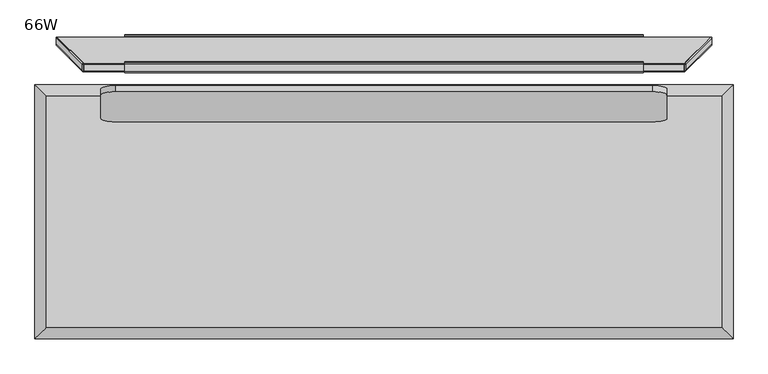
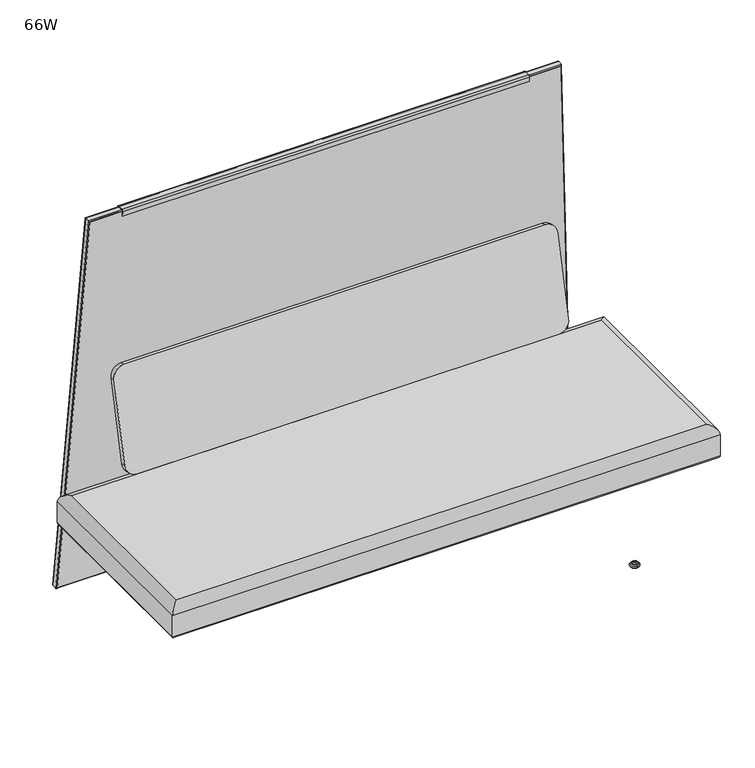
"""IFC4 building model written with IfcOpenShell, lengths in millimetres: furniture geometry, 66W."""

from ifc_helpers import new_model, si_unit, point, frame, frame_2d, origin, place, context, project, spatial, polyline, circle_curve, ellipse_curve, trimmed, segment, composite_curve, outline, extrude, source, transform, mapped, element, save
from ifc_brep_helpers import plane_surface, cylinder_surface, revolved_surface, advanced_brep


def furniture_66w_f4298dfc(model_context):
    return source(origin(), model_context, "Body", "SolidModel", [
        extrude(outline(composite_curve([segment(polyline([(0.0, 2.7618542), (-8.144073, 2.7618542), (-8.144073, 5.809597), (-0.7084719, 5.809597)]), True, "CONTINUOUS"), segment(trimmed(circle_curve(frame_2d((-0.7084719, 0.6723218)), 5.1372751), [point((-0.7084719, 5.809597))], [point((4.4288032, 0.6723231))], False, "CARTESIAN"), True, "CONTINUOUS"), segment(polyline([(4.4288032, 0.6723231), (4.428809, -22.1894719)]), True, "CONTINUOUS"), segment(trimmed(circle_curve(frame_2d((-0.2870619, -22.1894731)), 4.7158708), [point((4.428809, -22.1894719))], [point((-0.2870587, -26.9053439))], False, "CARTESIAN"), True, "CONTINUOUS"), segment(polyline([(-0.2870587, -26.9053439), (-30.2577082, -26.9053439)]), True, "CONTINUOUS"), segment(trimmed(circle_curve(frame_2d((-30.2577073, -28.255386)), 1.3500421), [point((-30.2577082, -26.9053439))], [point((-31.6077494, -28.2553863))], True, "CARTESIAN"), True, "CONTINUOUS"), segment(polyline([(-31.6077494, -28.2553863), (-31.6077448, -46.0826012), (-34.6571469, -46.0826012), (-34.6571469, -28.6619848)]), True, "CONTINUOUS"), segment(trimmed(circle_curve(frame_2d((-29.8525087, -28.6619848)), 4.8046382), [point((-34.6571469, -28.6619848))], [point((-29.8525118, -23.8573466))], False, "CARTESIAN"), True, "CONTINUOUS"), segment(polyline([(-29.8525118, -23.8573466), (0.0128476, -23.8573466)]), True, "CONTINUOUS"), segment(trimmed(circle_curve(frame_2d((0.0128467, -22.4892602)), 1.3680864), [point((0.0128476, -23.8573466))], [point((1.3809331, -22.4892599))], True, "CARTESIAN"), True, "CONTINUOUS"), segment(polyline([(1.3809331, -22.4892599), (1.380927, 1.3809275)]), True, "CONTINUOUS"), segment(trimmed(circle_curve(frame_2d((0.0, 1.3809271)), 1.3809271), [point((1.380927, 1.3809275))], [point((0.0, 2.7618542))], True, "CARTESIAN"), True, "CONTINUOUS")], self_intersect=False)), frame((1458.4751415, -51.2771859, 562.9379975), z_axis=(0.0, -0.08715574274766427, 0.996194698091745), x_axis=(0.0, -0.996194698091745, -0.08715574274766427)), (0.0, 0.0, 1.0), 51.1352235),
        extrude(outline(composite_curve([segment(trimmed(circle_curve(frame_2d((2.2023575, 23.9777383)), 4.6118092), [point((2.4039227, 19.3703361))], [point((-2.4031314, 23.7363749))], False, "CARTESIAN"), True, "CONTINUOUS"), segment(polyline([(-2.4031314, 23.7363749), (-3.1606988, 38.1916228), (-0.8769993, 38.3113064), (-0.1192392, 23.8523818)]), True, "CONTINUOUS"), segment(trimmed(circle_curve(frame_2d((2.1627609, 23.9719763)), 2.285132), [point((-0.1192392, 23.8523818))], [point((2.2823555, 21.689976))], True, "CARTESIAN"), True, "CONTINUOUS"), segment(polyline([(2.2823555, 21.689976), (18.7703484, 22.5540751)]), True, "CONTINUOUS"), segment(trimmed(circle_curve(frame_2d((18.6507538, 24.8360754)), 2.285132), [point((18.7703484, 22.5540751))], [point((20.9327541, 24.95567))], True, "CARTESIAN"), True, "CONTINUOUS"), segment(polyline([(20.9327541, 24.95567), (20.1749938, 39.4145946), (22.4585421, 39.5342703), (23.2162566, 25.0762164)]), True, "CONTINUOUS"), segment(trimmed(circle_curve(frame_2d((18.6526375, 24.800132)), 4.5719626), [point((23.2162566, 25.0762164))], [point((18.8919156, 20.2344351))], False, "CARTESIAN"), True, "CONTINUOUS"), segment(polyline([(18.8919156, 20.2344351), (2.4039227, 19.3703361)]), True, "CONTINUOUS")], self_intersect=False)), frame((215.9, 0.0, 0.0), z_axis=(1.0, 0.0, 0.0), x_axis=(0.0, 1.0, 0.0)), (0.0, 0.0, 1.0), 1244.6),
        extrude(outline(composite_curve([segment(polyline([(1.3809271, 1.3809271), (1.3809271, 9.5250001), (4.4286699, 9.5250001), (4.4286699, 2.089399)]), True, "CONTINUOUS"), segment(trimmed(circle_curve(frame_2d((-0.7086053, 2.089399)), 5.1372751), [point((4.4286699, 2.089399))], [point((-0.708604, -3.0478761))], False, "CARTESIAN"), True, "CONTINUOUS"), segment(polyline([(-0.708604, -3.0478761), (-23.5704067, -3.0478818)]), True, "CONTINUOUS"), segment(trimmed(circle_curve(frame_2d((-23.5704079, 1.6679889)), 4.7158708), [point((-23.5704067, -3.0478818))], [point((-28.2862788, 1.6679859))], False, "CARTESIAN"), True, "CONTINUOUS"), segment(polyline([(-28.2862788, 1.6679859), (-28.2862906, 19.7323854)]), True, "CONTINUOUS"), segment(trimmed(circle_curve(frame_2d((-29.6363327, 19.7323844)), 1.3500421), [point((-28.2862906, 19.7323854))], [point((-29.636333, 21.0824265))], True, "CARTESIAN"), True, "CONTINUOUS"), segment(polyline([(-29.636333, 21.0824265), (-47.4635479, 21.082422), (-47.4635479, 24.1318241), (-30.0429315, 24.1318241)]), True, "CONTINUOUS"), segment(trimmed(circle_curve(frame_2d((-30.0429315, 19.3271858)), 4.8046383), [point((-30.0429315, 24.1318241))], [point((-25.2382932, 19.3271889))], False, "CARTESIAN"), True, "CONTINUOUS"), segment(polyline([(-25.2382932, 19.3271889), (-25.2382815, 1.3680795)]), True, "CONTINUOUS"), segment(trimmed(circle_curve(frame_2d((-23.8701951, 1.3680804)), 1.3680864), [point((-25.2382815, 1.3680795))], [point((-23.8701947, -6e-06))], True, "CARTESIAN"), True, "CONTINUOUS"), segment(polyline([(-23.8701947, -6e-06), (4e-07, 0.0)]), True, "CONTINUOUS"), segment(trimmed(circle_curve(frame_2d((0.0, 1.3809271)), 1.3809271), [point((4e-07, 0.0))], [point((1.3809271, 1.3809271))], True, "CARTESIAN"), True, "CONTINUOUS")], self_intersect=False)), frame((1459.8560686, -33.729595, 144.3086142), z_axis=(0.0, -0.05233595624294945, 0.9986295347545736), x_axis=(1.0, 0.0, 0.0)), (0.0, 0.0, 1.0), 50.5530756),
        extrude(outline(composite_curve([segment(trimmed(circle_curve(frame_2d((8.144073, 1.3809271)), 1.3809271), [point((8.144073, 0.0))], [point((9.525, 1.3809267))], True, "CARTESIAN"), True, "CONTINUOUS"), segment(polyline([(9.525, 1.3809267), (9.525006, 25.2511141)]), True, "CONTINUOUS"), segment(trimmed(circle_curve(frame_2d((8.1569196, 25.2511144)), 1.3680864), [point((9.525006, 25.2511141))], [point((8.1569205, 26.6192008))], True, "CARTESIAN"), True, "CONTINUOUS"), segment(polyline([(8.1569205, 26.6192008), (-21.7084389, 26.6192008)]), True, "CONTINUOUS"), segment(trimmed(circle_curve(frame_2d((-21.7084358, 31.423839)), 4.8046382), [point((-21.7084389, 26.6192008))], [point((-26.513074, 31.423839))], False, "CARTESIAN"), True, "CONTINUOUS"), segment(polyline([(-26.513074, 31.423839), (-26.513074, 48.8444554), (-23.4636719, 48.8444554), (-23.4636765, 31.0172405)]), True, "CONTINUOUS"), segment(trimmed(circle_curve(frame_2d((-22.1136344, 31.0172402)), 1.3500421), [point((-23.4636765, 31.0172405))], [point((-22.1136353, 29.6671981))], True, "CARTESIAN"), True, "CONTINUOUS"), segment(polyline([(-22.1136353, 29.6671981), (7.8570142, 29.6671981)]), True, "CONTINUOUS"), segment(trimmed(circle_curve(frame_2d((7.8570111, 24.9513273)), 4.7158708), [point((7.8570142, 29.6671981))], [point((12.5728819, 24.9513261))], False, "CARTESIAN"), True, "CONTINUOUS"), segment(polyline([(12.5728819, 24.9513261), (12.5728762, 2.0895311)]), True, "CONTINUOUS"), segment(trimmed(circle_curve(frame_2d((7.4356011, 2.0895324)), 5.1372751), [point((12.5728762, 2.0895311))], [point((7.4356011, -3.0477428))], False, "CARTESIAN"), True, "CONTINUOUS"), segment(polyline([(7.4356011, -3.0477428), (0.0, -3.0477428), (0.0, 0.0), (8.144073, 0.0)]), True, "CONTINUOUS")], self_intersect=False)), frame((215.1630043, -43.1641036, 563.6478002), z_axis=(0.0, -0.08715574274766426, 0.996194698091745), x_axis=(0.0, -0.996194698091745, -0.08715574274766426)), (0.0, 0.0, 1.0), 51.1352235),
        extrude(outline(composite_curve([segment(trimmed(circle_curve(frame_2d((8.1440729, 1.3809271)), 1.3809271), [point((8.1440729, 0.0))], [point((9.525, 1.3809267))], True, "CARTESIAN"), True, "CONTINUOUS"), segment(polyline([(9.525, 1.3809267), (9.525006, 25.2511218)]), True, "CONTINUOUS"), segment(trimmed(circle_curve(frame_2d((8.1569196, 25.2511222)), 1.3680864), [point((9.525006, 25.2511218))], [point((8.1569196, 26.6192086))], True, "CARTESIAN"), True, "CONTINUOUS"), segment(polyline([(8.1569196, 26.6192086), (-9.8021859, 26.6192086)]), True, "CONTINUOUS"), segment(trimmed(circle_curve(frame_2d((-9.8021859, 31.4238468)), 4.8046382), [point((-9.8021859, 26.6192086))], [point((-14.606824, 31.4238468))], False, "CARTESIAN"), True, "CONTINUOUS"), segment(polyline([(-14.606824, 31.4238468), (-14.606824, 48.8444632), (-11.5574219, 48.8444632), (-11.5574266, 31.0172483)]), True, "CONTINUOUS"), segment(trimmed(circle_curve(frame_2d((-10.2073845, 31.017248)), 1.3500421), [point((-11.5574266, 31.0172483))], [point((-10.2073845, 29.6672059))], True, "CARTESIAN"), True, "CONTINUOUS"), segment(polyline([(-10.2073845, 29.6672059), (7.8570111, 29.6672059)]), True, "CONTINUOUS"), segment(trimmed(circle_curve(frame_2d((7.8570111, 24.951335)), 4.7158708), [point((7.8570111, 29.6672059))], [point((12.5728819, 24.9513338))], False, "CARTESIAN"), True, "CONTINUOUS"), segment(polyline([(12.5728819, 24.9513338), (12.5728761, 2.0895311)]), True, "CONTINUOUS"), segment(trimmed(circle_curve(frame_2d((7.435601, 2.0895324)), 5.1372751), [point((12.5728761, 2.0895311))], [point((7.435601, -3.0477428))], False, "CARTESIAN"), True, "CONTINUOUS"), segment(polyline([(7.435601, -3.0477428), (0.0, -3.0477428), (0.0, 0.0), (8.1440729, 0.0)]), True, "CONTINUOUS")], self_intersect=False)), frame((215.1630043, -24.2408127, 144.8059002), z_axis=(0.0, -0.05233595624294945, 0.9986295347545736), x_axis=(0.0, -0.9986295347545736, -0.05233595624294945)), (0.0, 0.0, 1.0), 50.4083184),
        extrude(outline(composite_curve([segment(polyline([(18.5911719, 20.5975436), (18.5911719, 36.4727737), (22.0080176, 36.4727737), (22.0080176, 22.1226629)]), True, "CONTINUOUS"), segment(trimmed(circle_curve(frame_2d((17.0817223, 22.1226629)), 4.9262954), [point((22.0080176, 22.1226629))], [point((17.0817223, 17.1963676))], False, "CARTESIAN"), True, "CONTINUOUS"), segment(polyline([(17.0817223, 17.1963676), (-20.9377121, 17.1963676)]), True, "CONTINUOUS"), segment(trimmed(circle_curve(frame_2d((-20.9377121, 22.4139285)), 5.217561), [point((-20.9377121, 17.1963676))], [point((-25.9416036, 23.891769))], False, "CARTESIAN"), True, "CONTINUOUS"), segment(polyline([(-25.9416036, 23.891769), (-8.0168765, 84.5839696), (-8.0168765, 96.8063842), (-4.5957637, 96.8063842), (-4.5957637, 83.9990238), (-22.7108138, 22.6623993)]), True, "CONTINUOUS"), segment(trimmed(circle_curve(frame_2d((-21.1676183, 22.2066346)), 1.609091), [point((-22.7108138, 22.6623993))], [point((-21.1676183, 20.5975436))], True, "CARTESIAN"), True, "CONTINUOUS"), segment(polyline([(-21.1676183, 20.5975436), (18.5911719, 20.5975436)]), True, "CONTINUOUS")], self_intersect=False)), frame((1352.348534, 0.0, 0.0), z_axis=(1.0, 0.0, 0.0), x_axis=(0.0, 1.0, 0.0)), (0.0, 0.0, 1.0), 38.8216493),
        extrude(outline(composite_curve([segment(polyline([(1362.572213, -4.5957637), (1380.9852769, -4.5957637)]), True, "CONTINUOUS"), segment(trimmed(circle_curve(frame_2d((1368.9867748, -13.6862365)), 15.0532637), [point((1380.9852769, -4.5957637))], [point((1382.069539, -21.1321769))], False, "CARTESIAN"), True, "CONTINUOUS"), segment(polyline([(1382.069539, -21.1321769), (1361.4879508, -21.1321769)]), True, "CONTINUOUS"), segment(trimmed(circle_curve(frame_2d((1374.570715, -13.6862365)), 15.0532637), [point((1361.4879508, -21.1321769))], [point((1362.572213, -4.5957637))], False, "CARTESIAN"), True, "CONTINUOUS")], self_intersect=False)), frame((0.0, 0.0, 13.858606), z_axis=(0.0, 0.0, 1.0), x_axis=(1.0, 0.0, 0.0)), (0.0, 0.0, 1.0), 3.3377616),
        advanced_brep(
        [(1371.769534, -16.1234282, 14.8752118), (1371.769534, -9.500017, 14.8752118), (1371.769534, -8.9130793, 13.858606), (1371.769534, -16.7103659, 13.858606), (1371.769534, -4.8811056, 11.2402116), (1371.769534, -20.7423395, 11.2402116), (1371.769534, -4.8811056, 8.74896), (1371.769534, -20.7423395, 8.74896), (1371.769534, -6.4627748, 8.74896), (1371.769534, -19.1606704, 8.74896), (1371.769534, -1.6031557, 5.9432577), (1371.769534, -24.0202895, 5.9432577), (1371.769534, 1.5875, 3.5556814), (1371.769534, -27.2109452, 3.5556814), (1371.769534, -0.4653912, 0.0), (1371.769534, -25.1580539, 0.0), (1371.769534, -12.8117226, 0.0), (1371.769534, -12.8117226, 17.1963676), (1371.769534, -8.8603739, 17.1963676), (1371.769534, -16.7630713, 17.1963676), (1371.769534, -8.8603739, 15.514855), (1371.769534, -16.7630713, 15.514855)],
        [
            (0, 1, circle_curve(frame((1371.769534, -12.8117226, 14.8752118), z_axis=(0.0, 0.0, -1.0), x_axis=(0.0, 1.0, 0.0)), 3.3117056)),
            (1, 2),
            (2, 3, circle_curve(frame((1371.769534, -12.8117226, 13.858606), z_axis=(0.0, 0.0, 1.0), x_axis=(0.0, 1.0, 0.0)), 3.8986433)),
            (3, 0),
            (1, 0, circle_curve(frame((1371.769534, -12.8117226, 14.8752118), z_axis=(0.0, 0.0, -1.0), x_axis=(0.0, 1.0, 0.0)), 3.3117056)),
            (3, 2, circle_curve(frame((1371.769534, -12.8117226, 13.858606), z_axis=(0.0, 0.0, 1.0), x_axis=(0.0, 1.0, 0.0)), 3.8986433)),
            (2, 4),
            (4, 5, circle_curve(frame((1371.769534, -12.8117226, 11.2402116), z_axis=(0.0, 0.0, 1.0), x_axis=(0.0, 1.0, 0.0)), 7.930617)),
            (5, 3),
            (5, 4, circle_curve(frame((1371.769534, -12.8117226, 11.2402116), z_axis=(0.0, 0.0, 1.0), x_axis=(0.0, 1.0, 0.0)), 7.930617)),
            (4, 6),
            (6, 7, circle_curve(frame((1371.769534, -12.8117226, 8.74896), z_axis=(0.0, 0.0, 1.0), x_axis=(0.0, 1.0, 0.0)), 7.930617)),
            (7, 5),
            (7, 6, circle_curve(frame((1371.769534, -12.8117226, 8.74896), z_axis=(0.0, 0.0, 1.0), x_axis=(0.0, 1.0, 0.0)), 7.930617)),
            (6, 8),
            (8, 9, circle_curve(frame((1371.769534, -12.8117226, 8.74896), z_axis=(0.0, 0.0, 1.0), x_axis=(0.0, 1.0, 0.0)), 6.3489478)),
            (9, 7),
            (9, 8, circle_curve(frame((1371.769534, -12.8117226, 8.74896), z_axis=(0.0, 0.0, 1.0), x_axis=(0.0, 1.0, 0.0)), 6.3489478)),
            (8, 10, circle_curve(frame((1371.769534, -1.9505298, 10.9529929), z_axis=(1.0, 0.0, 0.0), x_axis=(0.0, -1.0, 0.0)), 5.0217642)),
            (10, 11, circle_curve(frame((1371.769534, -12.8117226, 5.9432577), z_axis=(0.0, 0.0, 1.0), x_axis=(0.0, 1.0, 0.0)), 11.2085669)),
            (11, 9, circle_curve(frame((1371.769534, -23.6729154, 10.9529929), z_axis=(1.0, 0.0, 0.0), x_axis=(0.0, 1.0, 0.0)), 5.0217642)),
            (11, 10, circle_curve(frame((1371.769534, -12.8117226, 5.9432577), z_axis=(0.0, 0.0, 1.0), x_axis=(0.0, 1.0, 0.0)), 11.2085669)),
            (10, 12, circle_curve(frame((1371.769534, -1.3921075, 2.8995769), z_axis=(-1.0, 0.0, 0.0), x_axis=(0.0, -1.0, 0.0)), 3.050989)),
            (12, 13, circle_curve(frame((1371.769534, -12.8117226, 3.5556814), z_axis=(0.0, 0.0, 1.0), x_axis=(0.0, 1.0, 0.0)), 14.3992226)),
            (13, 11, circle_curve(frame((1371.769534, -24.2313377, 2.8995769), z_axis=(-1.0, 0.0, 0.0), x_axis=(0.0, 1.0, 0.0)), 3.050989)),
            (13, 12, circle_curve(frame((1371.769534, -12.8117226, 3.5556814), z_axis=(0.0, 0.0, 1.0), x_axis=(0.0, 1.0, 0.0)), 14.3992226)),
            (12, 14),
            (14, 15, circle_curve(frame((1371.769534, -12.8117226, 0.0), z_axis=(0.0, 0.0, 1.0), x_axis=(0.0, 1.0, 0.0)), 12.3463313)),
            (15, 13),
            (15, 14, circle_curve(frame((1371.769534, -12.8117226, 0.0), z_axis=(0.0, 0.0, 1.0), x_axis=(0.0, 1.0, 0.0)), 12.3463313)),
            (14, 16),
            (16, 15),
            (17, 18),
            (18, 19, circle_curve(frame((1371.769534, -12.8117226, 17.1963676), z_axis=(0.0, 0.0, 1.0), x_axis=(0.0, 1.0, 0.0)), 3.9513487)),
            (19, 17),
            (19, 18, circle_curve(frame((1371.769534, -12.8117226, 17.1963676), z_axis=(0.0, 0.0, 1.0), x_axis=(0.0, 1.0, 0.0)), 3.9513487)),
            (18, 20),
            (20, 21, circle_curve(frame((1371.769534, -12.8117226, 15.514855), z_axis=(0.0, 0.0, 1.0), x_axis=(0.0, 1.0, 0.0)), 3.9513487)),
            (21, 19),
            (21, 20, circle_curve(frame((1371.769534, -12.8117226, 15.514855), z_axis=(0.0, 0.0, 1.0), x_axis=(0.0, 1.0, 0.0)), 3.9513487)),
            (20, 1),
            (0, 21),
        ],
        [
            revolved_surface(polyline([(1371.769534, -8.9130793, 13.858606), (1371.769534, -9.500017, 14.8752118)]), (1371.769534, -12.8117226, 0.0), (0.0, 0.0, 1.0)),
            revolved_surface(polyline([(1371.769534, -4.8811056, 11.2402116), (1371.769534, -8.9130793, 13.858606)]), (1371.769534, -12.8117226, 0.0), (0.0, 0.0, 1.0)),
            cylinder_surface(frame((1371.769534, -12.8117226, 0.0), z_axis=(0.0, 0.0, 1.0), x_axis=(0.0, 1.0, 0.0)), 7.930617),
            plane_surface(frame((1371.769534, -12.8117226, 8.74896), z_axis=(0.0, 0.0, -1.0), x_axis=(0.0, 1.0, 0.0))),
            revolved_surface(trimmed(ellipse_curve(frame((1371.769534, -1.9505298, 10.9529929), z_axis=(-1.0, 0.0, 0.0), x_axis=(0.0, -1.0, 0.0)), 5.0217642, 5.0217642), [point((1371.769534, -1.6031557, 5.9432577))], [point((1371.769534, -6.4627748, 8.74896))], True, "CARTESIAN"), (1371.769534, -12.8117226, 0.0), (0.0, 0.0, 1.0)),
            revolved_surface(trimmed(ellipse_curve(frame((1371.769534, -1.3921075, 2.8995769), z_axis=(1.0, 0.0, 0.0), x_axis=(0.0, -1.0, 0.0)), 3.050989, 3.050989), [point((1371.769534, 1.5875, 3.5556814))], [point((1371.769534, -1.6031557, 5.9432577))], True, "CARTESIAN"), (1371.769534, -12.8117226, 0.0), (0.0, 0.0, 1.0)),
            revolved_surface(polyline([(1371.769534, -0.4653912, 0.0), (1371.769534, 1.5875, 3.5556814)]), (1371.769534, -12.8117226, 0.0), (0.0, 0.0, 1.0)),
            plane_surface(frame((1371.769534, -12.8117226, 0.0), z_axis=(0.0, 0.0, -1.0), x_axis=(0.0, 1.0, 0.0))),
            plane_surface(frame((1371.769534, -12.8117226, 17.1963676), z_axis=(0.0, 0.0, 1.0), x_axis=(0.0, 1.0, 0.0))),
            cylinder_surface(frame((1371.769534, -12.8117226, 0.0), z_axis=(0.0, 0.0, 1.0), x_axis=(0.0, 1.0, 0.0)), 3.9513487),
            revolved_surface(polyline([(1371.769534, -9.500017, 14.8752118), (1371.769534, -8.8603739, 15.514855)]), (1371.769534, -12.8117226, 0.0), (0.0, 0.0, 1.0)),
        ],
        [
            (0, [[1, 2, 3, 4]]),
            (0, [[5, -4, 6, -2]]),
            (1, [[-3, 7, 8, 9]]),
            (1, [[-6, -9, 10, -7]]),
            (2, [[-8, 11, 12, 13]]),
            (2, [[-10, -13, 14, -11]]),
            (3, [[-12, 15, 16, 17]]),
            (3, [[-14, -17, 18, -15]]),
            (4, [[-16, 19, 20, 21]]),
            (4, [[-18, -21, 22, -19]]),
            (5, [[-20, 23, 24, 25]]),
            (5, [[-22, -25, 26, -23]]),
            (6, [[-24, 27, 28, 29]]),
            (6, [[-26, -29, 30, -27]]),
            (7, [[-28, 31, 32]]),
            (7, [[-30, -32, -31]]),
            (8, [[33, 34, 35]]),
            (8, [[-35, 36, -33]]),
            (9, [[-34, 37, 38, 39]]),
            (9, [[-36, -39, 40, -37]]),
            (10, [[-38, 41, -1, 42]]),
            (10, [[-40, -42, -5, -41]]),
        ],
    ),
        extrude(outline(composite_curve([segment(trimmed(circle_curve(frame_2d((301.829285, -13.6862365)), 15.0532637), [point((313.827787, -4.5957637))], [point((314.9120492, -21.1321769))], False, "CARTESIAN"), True, "CONTINUOUS"), segment(polyline([(314.9120492, -21.1321769), (294.330461, -21.1321769)]), True, "CONTINUOUS"), segment(trimmed(circle_curve(frame_2d((307.4132252, -13.6862365)), 15.0532637), [point((294.330461, -21.1321769))], [point((295.4147231, -4.5957637))], False, "CARTESIAN"), True, "CONTINUOUS"), segment(polyline([(295.4147231, -4.5957637), (313.827787, -4.5957637)]), True, "CONTINUOUS")], self_intersect=False)), frame((0.0, 0.0, 13.858606), z_axis=(0.0, 0.0, 1.0), x_axis=(1.0, 0.0, 0.0)), (0.0, 0.0, 1.0), 3.3377616),
        advanced_brep(
        [(304.630466, -16.7103659, 13.858606), (304.630466, -8.9130793, 13.858606), (304.630466, -9.500017, 14.8752118), (304.630466, -16.1234282, 14.8752118), (304.630466, -20.7423395, 11.2402116), (304.630466, -4.8811056, 11.2402116), (304.630466, -20.7423395, 8.74896), (304.630466, -4.8811056, 8.74896), (304.630466, -19.1606704, 8.74896), (304.630466, -6.4627748, 8.74896), (304.630466, -24.0202895, 5.9432577), (304.630466, -1.6031557, 5.9432577), (304.630466, -27.2109452, 3.5556814), (304.630466, 1.5875, 3.5556814), (304.630466, -25.1580539, 0.0), (304.630466, -0.4653912, 0.0), (304.630466, -12.8117226, 0.0), (304.630466, -16.7630713, 17.1963676), (304.630466, -8.8603739, 17.1963676), (304.630466, -12.8117226, 17.1963676), (304.630466, -16.7630713, 15.514855), (304.630466, -8.8603739, 15.514855)],
        [
            (0, 1, circle_curve(frame((304.630466, -12.8117226, 13.858606), z_axis=(0.0, 0.0, 1.0), x_axis=(0.0, 1.0, 0.0)), 3.8986433)),
            (1, 2),
            (2, 3, circle_curve(frame((304.630466, -12.8117226, 14.8752118), z_axis=(0.0, 0.0, -1.0), x_axis=(0.0, 1.0, 0.0)), 3.3117056)),
            (3, 0),
            (1, 0, circle_curve(frame((304.630466, -12.8117226, 13.858606), z_axis=(0.0, 0.0, 1.0), x_axis=(0.0, 1.0, 0.0)), 3.8986433)),
            (3, 2, circle_curve(frame((304.630466, -12.8117226, 14.8752118), z_axis=(0.0, 0.0, -1.0), x_axis=(0.0, 1.0, 0.0)), 3.3117056)),
            (4, 5, circle_curve(frame((304.630466, -12.8117226, 11.2402116), z_axis=(0.0, 0.0, 1.0), x_axis=(0.0, 1.0, 0.0)), 7.930617)),
            (5, 1),
            (0, 4),
            (5, 4, circle_curve(frame((304.630466, -12.8117226, 11.2402116), z_axis=(0.0, 0.0, 1.0), x_axis=(0.0, 1.0, 0.0)), 7.930617)),
            (6, 7, circle_curve(frame((304.630466, -12.8117226, 8.74896), z_axis=(0.0, 0.0, 1.0), x_axis=(0.0, 1.0, 0.0)), 7.930617)),
            (7, 5),
            (4, 6),
            (7, 6, circle_curve(frame((304.630466, -12.8117226, 8.74896), z_axis=(0.0, 0.0, 1.0), x_axis=(0.0, 1.0, 0.0)), 7.930617)),
            (8, 9, circle_curve(frame((304.630466, -12.8117226, 8.74896), z_axis=(0.0, 0.0, 1.0), x_axis=(0.0, 1.0, 0.0)), 6.3489478)),
            (9, 7),
            (6, 8),
            (9, 8, circle_curve(frame((304.630466, -12.8117226, 8.74896), z_axis=(0.0, 0.0, 1.0), x_axis=(0.0, 1.0, 0.0)), 6.3489478)),
            (10, 11, circle_curve(frame((304.630466, -12.8117226, 5.9432577), z_axis=(0.0, 0.0, 1.0), x_axis=(0.0, 1.0, 0.0)), 11.2085669)),
            (11, 9, circle_curve(frame((304.630466, -1.9505298, 10.9529929), z_axis=(-1.0, 0.0, 0.0), x_axis=(0.0, -1.0, 0.0)), 5.0217642)),
            (8, 10, circle_curve(frame((304.630466, -23.6729154, 10.9529929), z_axis=(-1.0, 0.0, 0.0), x_axis=(0.0, 1.0, 0.0)), 5.0217642)),
            (11, 10, circle_curve(frame((304.630466, -12.8117226, 5.9432577), z_axis=(0.0, 0.0, 1.0), x_axis=(0.0, 1.0, 0.0)), 11.2085669)),
            (12, 13, circle_curve(frame((304.630466, -12.8117226, 3.5556814), z_axis=(0.0, 0.0, 1.0), x_axis=(0.0, 1.0, 0.0)), 14.3992226)),
            (13, 11, circle_curve(frame((304.630466, -1.3921075, 2.8995769), z_axis=(1.0, 0.0, 0.0), x_axis=(0.0, -1.0, 0.0)), 3.050989)),
            (10, 12, circle_curve(frame((304.630466, -24.2313377, 2.8995769), z_axis=(1.0, 0.0, 0.0), x_axis=(0.0, 1.0, 0.0)), 3.050989)),
            (13, 12, circle_curve(frame((304.630466, -12.8117226, 3.5556814), z_axis=(0.0, 0.0, 1.0), x_axis=(0.0, 1.0, 0.0)), 14.3992226)),
            (14, 15, circle_curve(frame((304.630466, -12.8117226, 0.0), z_axis=(0.0, 0.0, 1.0), x_axis=(0.0, 1.0, 0.0)), 12.3463313)),
            (15, 13),
            (12, 14),
            (15, 14, circle_curve(frame((304.630466, -12.8117226, 0.0), z_axis=(0.0, 0.0, 1.0), x_axis=(0.0, 1.0, 0.0)), 12.3463313)),
            (16, 15),
            (14, 16),
            (17, 18, circle_curve(frame((304.630466, -12.8117226, 17.1963676), z_axis=(0.0, 0.0, 1.0), x_axis=(0.0, 1.0, 0.0)), 3.9513487)),
            (18, 19),
            (19, 17),
            (18, 17, circle_curve(frame((304.630466, -12.8117226, 17.1963676), z_axis=(0.0, 0.0, 1.0), x_axis=(0.0, 1.0, 0.0)), 3.9513487)),
            (20, 21, circle_curve(frame((304.630466, -12.8117226, 15.514855), z_axis=(0.0, 0.0, 1.0), x_axis=(0.0, 1.0, 0.0)), 3.9513487)),
            (21, 18),
            (17, 20),
            (21, 20, circle_curve(frame((304.630466, -12.8117226, 15.514855), z_axis=(0.0, 0.0, 1.0), x_axis=(0.0, 1.0, 0.0)), 3.9513487)),
            (2, 21),
            (20, 3),
        ],
        [
            revolved_surface(polyline([(304.630466, -9.500017, 14.8752118), (304.630466, -8.9130793, 13.858606)]), (304.630466, -12.8117226, 0.0), (0.0, 0.0, -1.0)),
            revolved_surface(polyline([(304.630466, -8.9130793, 13.858606), (304.630466, -4.8811056, 11.2402116)]), (304.630466, -12.8117226, 0.0), (0.0, 0.0, -1.0)),
            cylinder_surface(frame((304.630466, -12.8117226, 0.0), z_axis=(0.0, 0.0, -1.0), x_axis=(0.0, 1.0, 0.0)), 7.930617),
            plane_surface(frame((304.630466, -12.8117226, 8.74896), z_axis=(0.0, 0.0, -1.0), x_axis=(0.0, 1.0, 0.0))),
            revolved_surface(trimmed(ellipse_curve(frame((304.630466, -1.9505298, 10.9529929), z_axis=(1.0, 0.0, 0.0), x_axis=(0.0, -1.0, 0.0)), 5.0217642, 5.0217642), [point((304.630466, -6.4627748, 8.74896))], [point((304.630466, -1.6031557, 5.9432577))], True, "CARTESIAN"), (304.630466, -12.8117226, 0.0), (0.0, 0.0, -1.0)),
            revolved_surface(trimmed(ellipse_curve(frame((304.630466, -1.3921075, 2.8995769), z_axis=(-1.0, 0.0, 0.0), x_axis=(0.0, -1.0, 0.0)), 3.050989, 3.050989), [point((304.630466, -1.6031557, 5.9432577))], [point((304.630466, 1.5875, 3.5556814))], True, "CARTESIAN"), (304.630466, -12.8117226, 0.0), (0.0, 0.0, -1.0)),
            revolved_surface(polyline([(304.630466, 1.5875, 3.5556814), (304.630466, -0.4653912, 0.0)]), (304.630466, -12.8117226, 0.0), (0.0, 0.0, -1.0)),
            plane_surface(frame((304.630466, -12.8117226, 0.0), z_axis=(0.0, 0.0, -1.0), x_axis=(0.0, 1.0, 0.0))),
            plane_surface(frame((304.630466, -12.8117226, 17.1963676), z_axis=(0.0, 0.0, 1.0), x_axis=(0.0, 1.0, 0.0))),
            cylinder_surface(frame((304.630466, -12.8117226, 0.0), z_axis=(0.0, 0.0, -1.0), x_axis=(0.0, 1.0, 0.0)), 3.9513487),
            revolved_surface(polyline([(304.630466, -8.8603739, 15.514855), (304.630466, -9.500017, 14.8752118)]), (304.630466, -12.8117226, 0.0), (0.0, 0.0, -1.0)),
        ],
        [
            (0, [[1, 2, 3, 4]]),
            (0, [[5, -4, 6, -2]]),
            (1, [[7, 8, -1, 9]]),
            (1, [[10, -9, -5, -8]]),
            (2, [[11, 12, -7, 13]]),
            (2, [[14, -13, -10, -12]]),
            (3, [[15, 16, -11, 17]]),
            (3, [[18, -17, -14, -16]]),
            (4, [[19, 20, -15, 21]]),
            (4, [[22, -21, -18, -20]]),
            (5, [[23, 24, -19, 25]]),
            (5, [[26, -25, -22, -24]]),
            (6, [[27, 28, -23, 29]]),
            (6, [[30, -29, -26, -28]]),
            (7, [[31, -27, 32]]),
            (7, [[-32, -30, -31]]),
            (8, [[33, 34, 35]]),
            (8, [[36, -35, -34]]),
            (9, [[37, 38, -33, 39]]),
            (9, [[40, -39, -36, -38]]),
            (10, [[-3, 41, -37, 42]]),
            (10, [[-6, -42, -40, -41]]),
        ],
    ),
        extrude(outline(composite_curve([segment(polyline([(18.5911719, 20.5975436), (18.5911719, 36.4727737), (22.0080176, 36.4727737), (22.0080176, 22.1226629)]), True, "CONTINUOUS"), segment(trimmed(circle_curve(frame_2d((17.0817223, 22.1226629)), 4.9262954), [point((22.0080176, 22.1226629))], [point((17.0817223, 17.1963676))], False, "CARTESIAN"), True, "CONTINUOUS"), segment(polyline([(17.0817223, 17.1963676), (-20.9377121, 17.1963676)]), True, "CONTINUOUS"), segment(trimmed(circle_curve(frame_2d((-20.9377121, 22.4139285)), 5.217561), [point((-20.9377121, 17.1963676))], [point((-25.9416036, 23.891769))], False, "CARTESIAN"), True, "CONTINUOUS"), segment(polyline([(-25.9416036, 23.891769), (-8.0168765, 84.5839696), (-8.0168765, 96.8063842), (-4.5957637, 96.8063842), (-4.5957637, 83.9990238), (-22.7108138, 22.6623993)]), True, "CONTINUOUS"), segment(trimmed(circle_curve(frame_2d((-21.1676183, 22.2066346)), 1.609091), [point((-22.7108138, 22.6623993))], [point((-21.1676183, 20.5975436))], True, "CARTESIAN"), True, "CONTINUOUS"), segment(polyline([(-21.1676183, 20.5975436), (18.5911719, 20.5975436)]), True, "CONTINUOUS")], self_intersect=False)), frame((285.2298168, 0.0, 0.0), z_axis=(1.0, 0.0, 0.0), x_axis=(0.0, 1.0, 0.0)), (0.0, 0.0, 1.0), 38.8216493),
        extrude(outline(composite_curve([segment(polyline([(-63.475146, 1229.5989299), (-46.9871532, 1230.463029)]), True, "CONTINUOUS"), segment(trimmed(circle_curve(frame_2d((-46.7478751, 1225.8973321)), 4.5719626), [point((-46.9871532, 1230.463029))], [point((-42.1803973, 1226.0997882))], False, "CARTESIAN"), True, "CONTINUOUS"), segment(polyline([(-42.1803973, 1226.0997882), (-41.4226828, 1211.6417343), (-43.7062311, 1211.5220586), (-44.4639911, 1225.9809832)]), True, "CONTINUOUS"), segment(trimmed(circle_curve(frame_2d((-46.7459914, 1225.8613887)), 2.285132), [point((-44.4639911, 1225.9809832))], [point((-46.865586, 1228.143389))], True, "CARTESIAN"), True, "CONTINUOUS"), segment(polyline([(-46.865586, 1228.143389), (-63.3535789, 1227.2792899)]), True, "CONTINUOUS"), segment(trimmed(circle_curve(frame_2d((-63.2339843, 1224.9972896)), 2.285132), [point((-63.3535789, 1227.2792899))], [point((-65.5159846, 1224.877695))], True, "CARTESIAN"), True, "CONTINUOUS"), segment(polyline([(-65.5159846, 1224.877695), (-64.7582243, 1210.4187704), (-67.0419238, 1210.2990868), (-67.7994912, 1224.7543347)]), True, "CONTINUOUS"), segment(trimmed(circle_curve(frame_2d((-63.1940023, 1224.9956981)), 4.6118092), [point((-67.7994912, 1224.7543347))], [point((-63.475146, 1229.5989299))], False, "CARTESIAN"), True, "CONTINUOUS")], self_intersect=False)), frame((215.9, 0.0, 0.0), z_axis=(1.0, 0.0, 0.0), x_axis=(0.0, 1.0, 0.0)), (0.0, 0.0, 1.0), 1244.6),
        advanced_brep(
        [(116.7598053, -44.6531858, 1225.2093061), (116.7598053, -65.095895, 1224.1379491), (53.8042972, -2.2267834, 24.5238374), (53.8042972, 18.2159258, 25.5951944), (113.9129017, -47.7766107, 1228.0497421), (115.9570965, -44.6974557, 1226.0540254), (52.9129271, 18.2601957, 24.750475), (50.6429453, 15.4065178, 22.4438318), (113.9129017, -62.2869727, 1227.2892862), (50.6429453, 0.8961557, 21.683376), (115.9570965, -65.1401649, 1224.9826685), (52.9129271, -2.1825135, 23.679118), (1622.281718, -2.2267834, 24.5238374), (1622.281718, 18.2159258, 25.5951944), (1623.1730881, 18.2601957, 24.750475), (1625.4430699, 15.4065178, 22.4438318), (1625.4430699, 0.8961557, 21.683376), (1623.1730881, -2.1825135, 23.679118), (1559.3262584, -65.095895, 1224.1379491), (1559.3262584, -44.6531858, 1225.2093061), (1560.1289672, -44.6974557, 1226.0540254), (1562.1731621, -47.7766107, 1228.0497421), (1562.1731621, -62.2869727, 1227.2892862), (1560.1289672, -65.1401649, 1224.9826685)],
        [
            (0, 1),
            (1, 2),
            (2, 3),
            (3, 0),
            (4, 5, ellipse_curve(frame((116.878582, -47.6130516, 1224.9288498), z_axis=(-0.7253744048071878, 0.03602569308933831, -0.687411174107645), x_axis=(-0.6883545400813583, -0.03796316310974952, 0.7243803043954772)), 4.3083616, 3.1251752)),
            (5, 6),
            (6, 7, ellipse_curve(frame((53.9361931, 15.2429587, 25.5647241), z_axis=(-0.688354540081358, -0.037963163109749495, 0.7243803043954774), x_axis=(0.7253744048071877, -0.03602569308933835, 0.687411174107645)), 4.5400663, 3.1251752)),
            (7, 4),
            (8, 4),
            (7, 9),
            (9, 8),
            (10, 8, ellipse_curve(frame((116.8779455, -62.1234488, 1224.1690637), z_axis=(-0.7253744048071878, 0.03602569308933831, -0.687411174107645), x_axis=(-0.6883545400813583, -0.03796316310974952, 0.7243803043954772)), 4.307437, 3.1245046)),
            (9, 11, ellipse_curve(frame((53.9354864, 0.7326318, 24.8035985), z_axis=(-0.688354540081358, -0.037963163109749495, 0.7243803043954774), x_axis=(0.7253744048071877, -0.03602569308933835, 0.687411174107645)), 4.539092, 3.1245046)),
            (11, 10),
            (2, 12),
            (12, 13),
            (13, 3),
            (6, 14),
            (14, 15, ellipse_curve(frame((1622.1498221, 15.2429587, 25.5647241), z_axis=(-0.68835455466841, 0.03796316238528425, -0.7243802905718538), x_axis=(-0.7253743909645934, -0.03602569385276575, 0.6874111886747056)), 4.5400662, 3.1251752)),
            (15, 7),
            (15, 16),
            (16, 9),
            (16, 17, ellipse_curve(frame((1622.1505289, 0.7326318, 24.8035985), z_axis=(-0.68835455466841, 0.03796316238528425, -0.7243802905718538), x_axis=(-0.7253743909645934, -0.03602569385276575, 0.6874111886747056)), 4.5390919, 3.1245046)),
            (17, 11),
            (12, 18),
            (18, 19),
            (19, 13),
            (14, 20),
            (20, 21, ellipse_curve(frame((1559.2074817, -47.6130516, 1224.9288498), z_axis=(0.7253743909645933, 0.03602569385276577, -0.6874111886747057), x_axis=(-0.68835455466841, 0.037963162385284216, -0.7243802905718538)), 4.3083617, 3.1251752)),
            (21, 15),
            (21, 22),
            (22, 16),
            (22, 23, ellipse_curve(frame((1559.2081182, -62.1234488, 1224.1690637), z_axis=(0.7253743909645933, 0.03602569385276577, -0.6874111886747057), x_axis=(-0.68835455466841, 0.037963162385284216, -0.7243802905718538)), 4.3074371, 3.1245046)),
            (23, 17),
            (18, 1),
            (0, 19),
            (5, 20),
            (4, 21),
            (8, 22),
            (10, 23),
        ],
        [
            plane_surface(frame((116.7598053, -65.095895, 1224.1379491), z_axis=(0.9986295296156814, 0.0027390574477024537, -0.052264329555264825), x_axis=(-0.0523360542987637, 0.05226423136489043, -0.9972609425522861))),
            cylinder_surface(frame((116.8847983, -47.6192594, 1225.0473012), z_axis=(0.05233605429876391, -0.052264231364890425, 0.9972609425522863), x_axis=(0.9986295296156814, 0.0027390574477089142, -0.052264329555264694)), 3.1251752),
            plane_surface(frame((113.9129017, -47.7766107, 1228.0497421), z_axis=(-0.9986295296156814, -0.002739057447713928, 0.05226432955526432), x_axis=(-0.05233605429876379, 0.052264231364890446, -0.9972609425522861))),
            cylinder_surface(frame((116.8841285, -62.1296233, 1224.2868804), z_axis=(0.05233605429876391, -0.052264231364890425, 0.9972609425522863), x_axis=(0.9986295296156814, 0.0027390574477089142, -0.052264329555264694)), 3.1245046),
            plane_surface(frame((53.8042972, -2.2267834, 24.5238374), z_axis=(0.0, -0.05233595624296304, 0.998629534754573), x_axis=(1.0, 0.0, 0.0))),
            cylinder_surface(frame((53.8042972, 15.2429587, 25.5647241), z_axis=(-1.0000000000000002, 0.0, 0.0), x_axis=(0.0, -0.0523359562429566, 0.9986295347545734)), 3.1251752),
            plane_surface(frame((50.6429453, 15.4065178, 22.4438318), z_axis=(0.0, 0.05233595624295158, -0.9986295347545735), x_axis=(1.0, 0.0, 0.0))),
            cylinder_surface(frame((53.8042972, 0.7326318, 24.8035985), z_axis=(-1.0000000000000002, 0.0, 0.0), x_axis=(0.0, -0.0523359562429566, 0.9986295347545734)), 3.1245046),
            plane_surface(frame((1622.281718, -2.2267834, 24.5238374), z_axis=(-0.998629531720604, 0.0027390553456679598, -0.052264289446054636), x_axis=(-0.052336014134509806, -0.0522642314750537, 0.9972609446543239))),
            cylinder_surface(frame((1622.156725, 15.2498522, 25.4331894), z_axis=(0.052336014134509806, 0.05226423147505372, -0.9972609446543238), x_axis=(-0.9986295317206038, 0.0027390553456744164, -0.0522642894460543)), 3.1251752),
            plane_surface(frame((1625.4430699, 15.4065178, 22.4438318), z_axis=(0.998629531720604, -0.002739055345679431, 0.052264289446054206), x_axis=(-0.05233601413450997, -0.0522642314750537, 0.9972609446543239))),
            cylinder_surface(frame((1622.1573948, 0.7394883, 24.6727686), z_axis=(0.052336014134509806, 0.05226423147505372, -0.9972609446543238), x_axis=(-0.9986295317206038, 0.0027390553456744164, -0.0522642894460543)), 3.1245046),
            plane_surface(frame((1559.3262584, -65.095895, 1224.1379491), z_axis=(0.0, 0.052335956242950045, -0.9986295347545736), x_axis=(-1.0, 0.0, 0.0))),
            plane_surface(frame((1559.3262584, -44.6531858, 1225.2093061), z_axis=(0.0, 0.9986295347545732, 0.052335956242957365), x_axis=(-1.0, 0.0, 0.0))),
            cylinder_surface(frame((1559.3262584, -47.6130516, 1224.9288498), z_axis=(1.0, 0.0, 0.0), x_axis=(0.0, 0.052335956242956505, -0.9986295347545733)), 3.1251752),
            plane_surface(frame((1562.1731621, -47.7766107, 1228.0497421), z_axis=(0.0, -0.052335956242961494, 0.998629534754573), x_axis=(-1.0, 0.0, 0.0))),
            cylinder_surface(frame((1559.3262584, -62.1234488, 1224.1690637), z_axis=(1.0, 0.0, 0.0), x_axis=(0.0, 0.052335956242956505, -0.9986295347545733)), 3.1245046),
            plane_surface(frame((1560.1289672, -65.1401649, 1224.9826685), z_axis=(0.0, -0.9986295347545736, -0.05233595624295093), x_axis=(-1.0, 0.0, 0.0))),
        ],
        [
            (0, [[1, 2, 3, 4]]),
            (1, [[5, 6, 7, 8]]),
            (2, [[9, -8, 10, 11]]),
            (3, [[12, -11, 13, 14]]),
            (4, [[-3, 15, 16, 17]]),
            (5, [[-7, 18, 19, 20]]),
            (6, [[-10, -20, 21, 22]]),
            (7, [[-13, -22, 23, 24]]),
            (8, [[-16, 25, 26, 27]]),
            (9, [[-19, 28, 29, 30]]),
            (10, [[-21, -30, 31, 32]]),
            (11, [[-23, -32, 33, 34]]),
            (12, [[-26, 35, -1, 36]]),
            (13, [[37, -28, -18, -6], [-17, -27, -36, -4]]),
            (14, [[-29, -37, -5, 38]]),
            (15, [[-31, -38, -9, 39]]),
            (16, [[-33, -39, -12, 40]]),
            (17, [[-24, -34, -40, -14], [-35, -25, -15, -2]]),
        ],
    ),
        extrude(outline(polyline([(-1202.9089484, -1e-07), (0.0, 0.0), (-82.0879195, -1566.3278689), (-1278.4071846, -1440.5894586), (-1202.9089484, -1e-07)])), frame((53.8042972, -2.2267834, 24.5238374), z_axis=(0.0, 0.9986295347545734, 0.05233595624295649), x_axis=(-0.05233605429876337, 0.052264231364890515, -0.9972609425522861)), (0.0, 0.0, 1.0), 20.4707637),
        extrude(outline(composite_curve([segment(trimmed(circle_curve(frame_2d((0.0, -34.2841348)), 34.2841348), [point((34.2841348, -34.2841348))], [point((0.0, -68.5682696))], False, "CARTESIAN"), True, "CONTINUOUS"), segment(polyline([(0.0, -68.5682696), (-249.5042521, -68.5682696)]), True, "CONTINUOUS"), segment(trimmed(circle_curve(frame_2d((-249.5042521, -34.2841348)), 34.2841348), [point((-249.5042521, -68.5682696))], [point((-283.7883869, -34.2841348))], False, "CARTESIAN"), True, "CONTINUOUS"), segment(polyline([(-283.7883869, -34.2841348), (-283.7883869, 1256.10369)]), True, "CONTINUOUS"), segment(trimmed(circle_curve(frame_2d((-249.5042521, 1256.10369)), 34.2841348), [point((-283.7883869, 1256.10369))], [point((-249.5042521, 1290.3878248))], False, "CARTESIAN"), True, "CONTINUOUS"), segment(polyline([(-249.5042521, 1290.3878248), (0.0, 1290.3878248)]), True, "CONTINUOUS"), segment(trimmed(circle_curve(frame_2d((0.0, 1256.10369)), 34.2841348), [point((0.0, 1290.3878248))], [point((34.2841348, 1256.10369))], False, "CARTESIAN"), True, "CONTINUOUS"), segment(polyline([(34.2841348, 1256.10369), (34.2841348, -34.2841348)]), True, "CONTINUOUS")], self_intersect=False)), frame((1449.0758652, -106.2904287, 729.1964486), z_axis=(0.0, -0.9743700647852357, 0.2249510543438632), x_axis=(0.0, 0.2249510543438632, 0.9743700647852357)), (0.0, 0.0, 1.0), 15.2414002),
        advanced_brep(
        [(27.2635975, -123.7984512, 405.8895176), (27.2635975, -678.8688097, 405.8895176), (1649.1428944, -678.8688097, 405.8895176), (1649.1428944, -123.7984512, 405.8895176), (6.3491764, -699.7832308, 304.2919641), (6.3491764, -102.8840302, 304.2919641), (1670.0573154, -102.8840302, 304.2919641), (1670.0573154, -699.7832308, 304.2919641), (-0.0008236, -96.5340302, 310.6419641), (-0.0008236, -706.1332308, 310.6419641), (-0.0008236, -706.1332308, 379.4503267), (-0.0008236, -96.5340302, 379.4503267), (1676.4073154, -706.1332308, 310.6419641), (1676.4073154, -706.1332308, 379.4503267), (1676.4073154, -96.5340302, 310.6419641), (1676.4073154, -96.5340302, 379.4503267)],
        [
            (0, 1),
            (1, 2),
            (2, 3),
            (3, 0),
            (4, 5),
            (5, 6),
            (6, 7),
            (7, 4),
            (8, 5, ellipse_curve(frame((6.3491764, -102.8840302, 310.6419641), z_axis=(-0.7071067811865481, -0.7071067811865468, 0.0), x_axis=(-0.7071067811865466, 0.7071067811865483, 0.0)), 8.9802561, 6.35)),
            (4, 9, ellipse_curve(frame((6.3491764, -699.7832308, 310.6419641), z_axis=(-0.7071067811865468, 0.7071067811865481, 0.0), x_axis=(0.7071067811865481, 0.7071067811865469, 0.0)), 8.9802561, 6.35)),
            (9, 8),
            (9, 10),
            (10, 11),
            (11, 8),
            (10, 1, ellipse_curve(frame((26.4508562, -679.681551, 379.4503267), z_axis=(-0.7071067811865468, 0.7071067811865481, 0.0), x_axis=(0.7071067811865481, 0.7071067811865469, 0.0)), 37.4083243, 26.4516798)),
            (0, 11, ellipse_curve(frame((26.4508562, -122.98571, 379.4503267), z_axis=(-0.7071067811865481, -0.7071067811865468, 0.0), x_axis=(-0.7071067811865466, 0.7071067811865483, 0.0)), 37.4083243, 26.4516798)),
            (7, 12, ellipse_curve(frame((1670.0573154, -699.7832308, 310.6419641), z_axis=(-0.7071067811865476, -0.7071067811865474, 0.0), x_axis=(-0.7071067811865475, 0.7071067811865475, 0.0)), 8.9802561, 6.35)),
            (12, 9),
            (12, 13),
            (13, 10),
            (13, 2, ellipse_curve(frame((1649.9556356, -679.681551, 379.4503267), z_axis=(-0.7071067811865476, -0.7071067811865474, 0.0), x_axis=(-0.7071067811865475, 0.7071067811865475, 0.0)), 37.4083243, 26.4516798)),
            (6, 14, ellipse_curve(frame((1670.0573154, -102.8840302, 310.6419641), z_axis=(0.7071067811865474, -0.7071067811865476, 0.0), x_axis=(-0.7071067811865475, -0.7071067811865475, 0.0)), 8.9802561, 6.35)),
            (14, 12),
            (14, 15),
            (15, 13),
            (15, 3, ellipse_curve(frame((1649.9556356, -122.98571, 379.4503267), z_axis=(0.7071067811865474, -0.7071067811865476, 0.0), x_axis=(-0.7071067811865475, -0.7071067811865475, 0.0)), 37.4083243, 26.4516798)),
            (8, 14),
            (11, 15),
        ],
        [
            plane_surface(frame((27.2635975, -678.8688097, 405.8895176), z_axis=(0.0, 0.0, 1.0), x_axis=(1.0, 0.0, 0.0))),
            plane_surface(frame((27.2635975, -678.8688097, 304.2919641), z_axis=(0.0, 0.0, -1.0), x_axis=(-1.0, 0.0, 0.0))),
            cylinder_surface(frame((6.3491764, -123.7984512, 310.6419641), z_axis=(0.0, 1.0, 0.0), x_axis=(1.0, 0.0, 0.0)), 6.35),
            plane_surface(frame((-0.0008236, -96.5340302, 310.6419641), z_axis=(-1.0, 0.0, 0.0), x_axis=(0.0, -1.0, 0.0))),
            cylinder_surface(frame((26.4508562, -123.7984512, 379.4503267), z_axis=(0.0, 1.0, 0.0), x_axis=(1.0, 0.0, 0.0)), 26.4516798),
            cylinder_surface(frame((27.2635975, -699.7832308, 310.6419641), z_axis=(-1.0, 0.0, 0.0), x_axis=(0.0, 1.0, 0.0)), 6.35),
            plane_surface(frame((-0.0008236, -706.1332308, 310.6419641), z_axis=(0.0, -1.0, 0.0), x_axis=(1.0, 0.0, 0.0))),
            cylinder_surface(frame((27.2635975, -679.681551, 379.4503267), z_axis=(-1.0, 0.0, 0.0), x_axis=(0.0, 1.0, 0.0)), 26.4516798),
            cylinder_surface(frame((1670.0573154, -678.8688097, 310.6419641), z_axis=(0.0, -1.0, 0.0), x_axis=(-1.0, 0.0, 0.0)), 6.35),
            plane_surface(frame((1676.4073154, -706.1332308, 310.6419641), z_axis=(1.0, 0.0, 0.0), x_axis=(0.0, 1.0, 0.0))),
            cylinder_surface(frame((1649.9556356, -678.8688097, 379.4503267), z_axis=(0.0, -1.0, 0.0), x_axis=(-1.0, 0.0, 0.0)), 26.4516798),
            cylinder_surface(frame((1649.1428944, -102.8840302, 310.6419641), z_axis=(1.0, 0.0, 0.0), x_axis=(0.0, -1.0, 0.0)), 6.35),
            plane_surface(frame((1676.4073154, -96.5340302, 310.6419641), z_axis=(0.0, 1.0, 0.0), x_axis=(-1.0, 0.0, 0.0))),
            cylinder_surface(frame((1649.1428944, -122.98571, 379.4503267), z_axis=(1.0, 0.0, 0.0), x_axis=(0.0, -1.0, 0.0)), 26.4516798),
        ],
        [
            (0, [[1, 2, 3, 4]]),
            (1, [[5, 6, 7, 8]]),
            (2, [[9, -5, 10, 11]]),
            (3, [[-11, 12, 13, 14]]),
            (4, [[-13, 15, -1, 16]]),
            (5, [[-10, -8, 17, 18]]),
            (6, [[-12, -18, 19, 20]]),
            (7, [[-15, -20, 21, -2]]),
            (8, [[-17, -7, 22, 23]]),
            (9, [[-19, -23, 24, 25]]),
            (10, [[-21, -25, 26, -3]]),
            (11, [[-9, 27, -22, -6]]),
            (12, [[-14, 28, -24, -27]]),
            (13, [[-16, -4, -26, -28]]),
        ],
    ),
        advanced_brep(
        [(1447.8, -645.9431587, 14.8752118), (1447.8, -652.5665699, 14.8752118), (1447.8, -649.2548643, 14.8752118), (1447.8, -645.3562211, 13.858606), (1447.8, -653.1535076, 13.858606), (1447.8, -641.3242474, 11.2402116), (1447.8, -657.1854813, 11.2402116), (1447.8, -641.3242474, 8.74896), (1447.8, -657.1854813, 8.74896), (1447.8, -642.9059165, 8.74896), (1447.8, -655.6038121, 8.74896), (1447.8, -638.0462975, 5.9432577), (1447.8, -660.4634312, 5.9432577), (1447.8, -634.8556417, 3.5556814), (1447.8, -663.6540869, 3.5556814), (1447.8, -636.908533, 0.0), (1447.8, -661.6011957, 0.0), (1447.8, -649.2548643, 0.0)],
        [
            (0, 1, circle_curve(frame((1447.8, -649.2548643, 14.8752118), z_axis=(0.0, 0.0, 1.0), x_axis=(0.0, -1.0, 0.0)), 3.3117056)),
            (1, 2),
            (2, 0),
            (1, 0, circle_curve(frame((1447.8, -649.2548643, 14.8752118), z_axis=(0.0, 0.0, 1.0), x_axis=(0.0, -1.0, 0.0)), 3.3117056)),
            (3, 4, circle_curve(frame((1447.8, -649.2548643, 13.858606), z_axis=(0.0, 0.0, 1.0), x_axis=(0.0, -1.0, 0.0)), 3.8986433)),
            (4, 1),
            (0, 3),
            (4, 3, circle_curve(frame((1447.8, -649.2548643, 13.858606), z_axis=(0.0, 0.0, 1.0), x_axis=(0.0, -1.0, 0.0)), 3.8986433)),
            (5, 6, circle_curve(frame((1447.8, -649.2548643, 11.2402116), z_axis=(0.0, 0.0, 1.0), x_axis=(0.0, -1.0, 0.0)), 7.930617)),
            (6, 4),
            (3, 5),
            (6, 5, circle_curve(frame((1447.8, -649.2548643, 11.2402116), z_axis=(0.0, 0.0, 1.0), x_axis=(0.0, -1.0, 0.0)), 7.930617)),
            (7, 8, circle_curve(frame((1447.8, -649.2548643, 8.74896), z_axis=(0.0, 0.0, 1.0), x_axis=(0.0, -1.0, 0.0)), 7.930617)),
            (8, 6),
            (5, 7),
            (8, 7, circle_curve(frame((1447.8, -649.2548643, 8.74896), z_axis=(0.0, 0.0, 1.0), x_axis=(0.0, -1.0, 0.0)), 7.930617)),
            (9, 10, circle_curve(frame((1447.8, -649.2548643, 8.74896), z_axis=(0.0, 0.0, 1.0), x_axis=(0.0, -1.0, 0.0)), 6.3489478)),
            (10, 8),
            (7, 9),
            (10, 9, circle_curve(frame((1447.8, -649.2548643, 8.74896), z_axis=(0.0, 0.0, 1.0), x_axis=(0.0, -1.0, 0.0)), 6.3489478)),
            (11, 12, circle_curve(frame((1447.8, -649.2548643, 5.9432577), z_axis=(0.0, 0.0, 1.0), x_axis=(0.0, -1.0, 0.0)), 11.2085669)),
            (12, 10, circle_curve(frame((1447.8, -660.1160571, 10.9529929), z_axis=(1.0, 0.0, 0.0), x_axis=(0.0, -1.0, 0.0)), 5.0217642)),
            (9, 11, circle_curve(frame((1447.8, -638.3936715, 10.9529929), z_axis=(1.0, 0.0, 0.0), x_axis=(0.0, 1.0, 0.0)), 5.0217642)),
            (12, 11, circle_curve(frame((1447.8, -649.2548643, 5.9432577), z_axis=(0.0, 0.0, 1.0), x_axis=(0.0, -1.0, 0.0)), 11.2085669)),
            (13, 14, circle_curve(frame((1447.8, -649.2548643, 3.5556814), z_axis=(0.0, 0.0, 1.0), x_axis=(0.0, -1.0, 0.0)), 14.3992226)),
            (14, 12, circle_curve(frame((1447.8, -660.6744794, 2.8995769), z_axis=(-1.0, 0.0, 0.0), x_axis=(0.0, -1.0, 0.0)), 3.050989)),
            (11, 13, circle_curve(frame((1447.8, -637.8352492, 2.8995769), z_axis=(-1.0, 0.0, 0.0), x_axis=(0.0, 1.0, 0.0)), 3.050989)),
            (14, 13, circle_curve(frame((1447.8, -649.2548643, 3.5556814), z_axis=(0.0, 0.0, 1.0), x_axis=(0.0, -1.0, 0.0)), 14.3992226)),
            (15, 16, circle_curve(frame((1447.8, -649.2548643, 0.0), z_axis=(0.0, 0.0, 1.0), x_axis=(0.0, -1.0, 0.0)), 12.3463313)),
            (16, 14),
            (13, 15),
            (16, 15, circle_curve(frame((1447.8, -649.2548643, 0.0), z_axis=(0.0, 0.0, 1.0), x_axis=(0.0, -1.0, 0.0)), 12.3463313)),
            (17, 16),
            (15, 17),
        ],
        [
            plane_surface(frame((1447.8, -649.2548643, 14.8752118), z_axis=(0.0, 0.0, 1.0), x_axis=(0.0, -1.0, 0.0))),
            revolved_surface(polyline([(1447.8, -652.5665699, 14.8752118), (1447.8, -653.1535076, 13.858606)]), (1447.8, -649.2548643, 0.0), (0.0, 0.0, -1.0)),
            revolved_surface(polyline([(1447.8, -653.1535076, 13.858606), (1447.8, -657.1854813, 11.2402116)]), (1447.8, -649.2548643, 0.0), (0.0, 0.0, -1.0)),
            cylinder_surface(frame((1447.8, -649.2548643, 0.0), z_axis=(0.0, 0.0, -1.0), x_axis=(0.0, -1.0, 0.0)), 7.930617),
            plane_surface(frame((1447.8, -649.2548643, 8.74896), z_axis=(0.0, 0.0, -1.0), x_axis=(0.0, -1.0, 0.0))),
            revolved_surface(trimmed(ellipse_curve(frame((1447.8, -660.1160571, 10.9529929), z_axis=(-1.0, 0.0, 0.0), x_axis=(0.0, -1.0, 0.0)), 5.0217642, 5.0217642), [point((1447.8, -655.6038121, 8.74896))], [point((1447.8, -660.4634312, 5.9432577))], True, "CARTESIAN"), (1447.8, -649.2548643, 0.0), (0.0, 0.0, -1.0)),
            revolved_surface(trimmed(ellipse_curve(frame((1447.8, -660.6744794, 2.8995769), z_axis=(1.0, 0.0, 0.0), x_axis=(0.0, -1.0, 0.0)), 3.050989, 3.050989), [point((1447.8, -660.4634312, 5.9432577))], [point((1447.8, -663.6540869, 3.5556814))], True, "CARTESIAN"), (1447.8, -649.2548643, 0.0), (0.0, 0.0, -1.0)),
            revolved_surface(polyline([(1447.8, -663.6540869, 3.5556814), (1447.8, -661.6011957, 0.0)]), (1447.8, -649.2548643, 0.0), (0.0, 0.0, -1.0)),
            plane_surface(frame((1447.8, -649.2548643, 0.0), z_axis=(0.0, 0.0, -1.0), x_axis=(0.0, -1.0, 0.0))),
        ],
        [
            (0, [[1, 2, 3]]),
            (0, [[4, -3, -2]]),
            (1, [[5, 6, -1, 7]]),
            (1, [[8, -7, -4, -6]]),
            (2, [[9, 10, -5, 11]]),
            (2, [[12, -11, -8, -10]]),
            (3, [[13, 14, -9, 15]]),
            (3, [[16, -15, -12, -14]]),
            (4, [[17, 18, -13, 19]]),
            (4, [[20, -19, -16, -18]]),
            (5, [[21, 22, -17, 23]]),
            (5, [[24, -23, -20, -22]]),
            (6, [[25, 26, -21, 27]]),
            (6, [[28, -27, -24, -26]]),
            (7, [[29, 30, -25, 31]]),
            (7, [[32, -31, -28, -30]]),
            (8, [[33, -29, 34]]),
            (8, [[-34, -32, -33]]),
        ],
    ),
    ])


if __name__ == "__main__":
    model = new_model("IFC4")
    model_context = context("Model", 3, world=origin())
    ifc_project = project(units=[si_unit("LENGTHUNIT", "METRE", prefix="MILLI")], contexts=[model_context])
    site = spatial("IfcSite", under=ifc_project)
    building = spatial("IfcBuilding", under=site)
    placement = place(None, origin())
    furniture_66w_shape = furniture_66w_f4298dfc(model_context)
    element("IfcFurniture", 1, ObjectType="66W", at=placement, inside=building, context=model_context, shape_type="MappedRepresentation", body=[
        mapped(furniture_66w_shape, transform((0.0, 0.0, 0.0), x_axis=(1.0, 0.0, 0.0), y_axis=(0.0, 1.0, 0.0), z_axis=(0.0, 0.0, 1.0))),
    ])
    save(model, "model.ifc")
